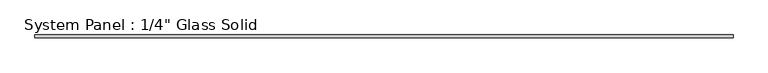
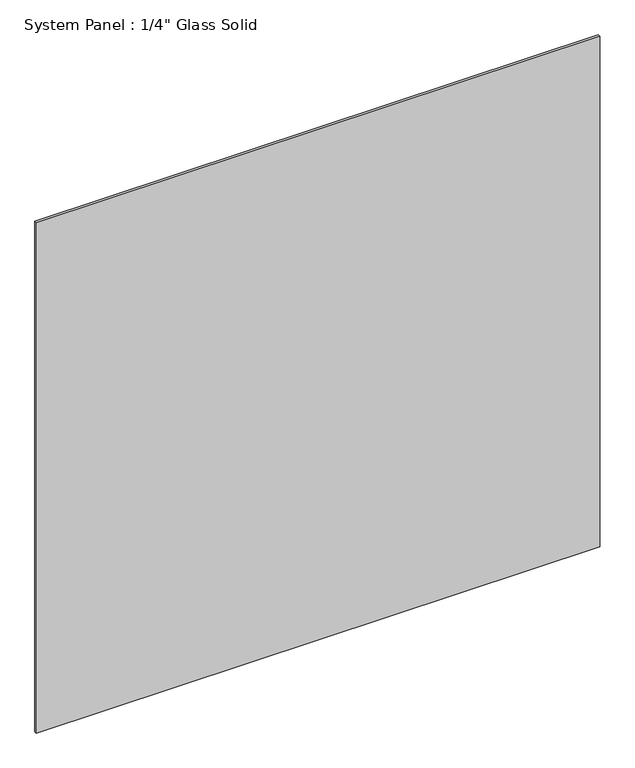
"""IFC4 building model written with IfcOpenShell, lengths in millimetres: plate geometry."""

from ifc_helpers import new_model, si_unit, origin, origin_with_axes, place, context, project, spatial, polyline, outline, extrude, source, transform, mapped, element, save


def plate_d4bfca7b(model_context):
    return source(origin(), model_context, "Body", "SweptSolid", [
        extrude(outline(polyline([(737.6592185, -3.175), (-737.6592185, -3.175), (-737.6592185, 3.175), (737.6592185, 3.175), (737.6592185, -3.175)])), origin_with_axes(), (0.0, 0.0, 1.0), 1412.7661731),
    ])


if __name__ == "__main__":
    model = new_model("IFC4")
    model_context = context("Model", 3, world=origin())
    ifc_project = project(units=[si_unit("LENGTHUNIT", "METRE", prefix="MILLI")], contexts=[model_context])
    site = spatial("IfcSite", under=ifc_project)
    building = spatial("IfcBuilding", under=site)
    placement = place(None, origin())
    plate_shape = plate_d4bfca7b(model_context)
    element("IfcPlate", 1, ObjectType="System Panel : 1/4\" Glass Solid", at=placement, inside=building, context=model_context, shape_type="MappedRepresentation", body=[
        mapped(plate_shape, transform((0.0, 0.0, 0.0), x_axis=(1.0, 0.0, 0.0), y_axis=(0.0, 1.0, 0.0), z_axis=(0.0, 0.0, 1.0))),
    ])
    save(model, "model.ifc")
